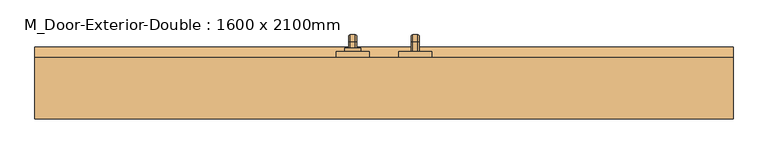
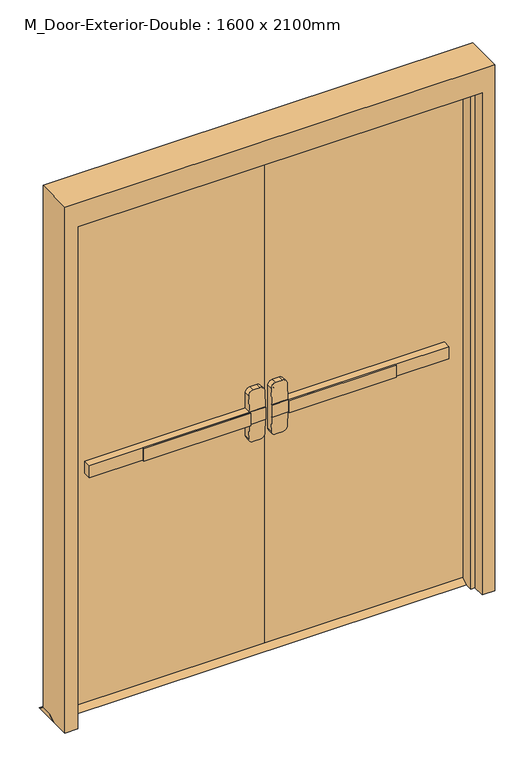
"""IFC4 building model written with IfcOpenShell, lengths in millimetres: door geometry, M_Door-Exterior-Double : 1600 x 2100mm."""

from ifc_helpers import new_model, si_unit, point, frame, frame_2d, origin, place, context, project, spatial, polyline, circle_curve, ellipse_curve, trimmed, segment, composite_curve, outline, extrude, faceted_brep, source, transform, mapped, element, save
from ifc_brep_helpers import plane_surface, cylinder_surface, revolved_surface, advanced_brep


def m_door_exterior_double_1600_x_2100mm_5a4b21ba(model_context):
    return source(origin(), model_context, "Body", "SolidModel", [
        extrude(outline(polyline([(-499.4666667, 48.25), (-499.4666667, 54.6), (-76.2, 54.6), (-76.2, 48.25), (-499.4666667, 48.25)])), frame((0.0, 0.0, 974.6), z_axis=(0.0, 0.0, 1.0), x_axis=(1.0, 0.0, 0.0)), (0.0, 0.0, 1.0), 50.8),
        advanced_brep(
        [(-12.7, 54.6, 1025.4), (-76.2, 54.6, 1025.4), (-711.1, 54.6, 1025.4), (-711.1, 54.6, 974.6), (-76.2, 54.6, 974.6), (-12.7, 54.6, 974.6), (-711.1, 86.35, 1025.4), (-76.2, 86.35, 1025.4), (-76.2, 86.35, 1088.9), (-57.15, 86.35, 1107.95), (-31.75, 86.35, 1107.95), (-12.7, 86.35, 1088.9), (-12.7, 86.35, 911.1), (-31.75, 86.35, 892.05), (-57.15, 86.35, 892.05), (-76.2, 86.35, 911.1), (-76.2, 86.35, 974.6), (-711.1, 86.35, 974.6), (-12.7, 57.7752467, 1025.4), (-76.2, 57.7752467, 1025.4), (-12.7, 57.7752467, 974.6), (-12.7, 62.7854269, 911.1), (-12.7, 62.7854269, 1088.9), (-76.2, 57.7752467, 974.6), (-76.2, 62.7854269, 1088.9), (-76.2, 62.7854269, 911.1), (-57.15, 64.288481, 1107.95), (-31.75, 64.288481, 1107.95), (-31.75, 64.288481, 892.05), (-57.15, 64.288481, 892.05)],
        [
            (0, 1),
            (1, 2),
            (2, 3),
            (3, 4),
            (4, 5),
            (5, 0),
            (6, 7),
            (7, 8),
            (8, 9, circle_curve(frame((-57.15, 86.35, 1088.9), z_axis=(0.0, 1.0, 0.0), x_axis=(-1.0, 0.0, 0.0)), 19.05)),
            (9, 10),
            (10, 11, circle_curve(frame((-31.75, 86.35, 1088.9), z_axis=(0.0, 1.0, 0.0), x_axis=(-1.0, 0.0, 0.0)), 19.05)),
            (11, 12),
            (12, 13, circle_curve(frame((-31.75, 86.35, 911.1), z_axis=(0.0, 1.0, 0.0), x_axis=(-1.0, 0.0, 0.0)), 19.05)),
            (13, 14),
            (14, 15, circle_curve(frame((-57.15, 86.35, 911.1), z_axis=(0.0, 1.0, 0.0), x_axis=(-1.0, 0.0, 0.0)), 19.05)),
            (15, 16),
            (16, 17),
            (17, 6),
            (0, 18),
            (18, 19),
            (19, 7),
            (6, 2),
            (5, 20),
            (20, 21),
            (21, 12),
            (11, 22),
            (22, 18),
            (16, 23),
            (23, 20),
            (3, 17),
            (19, 24),
            (24, 8),
            (15, 25),
            (25, 23),
            (9, 26),
            (26, 27),
            (27, 10),
            (13, 28),
            (28, 29),
            (29, 14),
            (29, 25, ellipse_curve(frame((-57.15, 62.7854269, 911.1), z_axis=(0.0, 0.9969018152893365, 0.07865602756830282), x_axis=(0.0, -0.07865602756830208, 0.9969018152893365)), 19.1092038, 19.05)),
            (24, 26, ellipse_curve(frame((-57.15, 62.7854269, 1088.9), z_axis=(0.0, 0.9969018152893376, -0.07865602756828934), x_axis=(0.0, -0.078656027568288, -0.9969018152893377)), 19.1092038, 19.05)),
            (27, 22, ellipse_curve(frame((-31.75, 62.7854269, 1088.9), z_axis=(0.0, 0.9969018152893376, -0.07865602756828934), x_axis=(0.0, -0.078656027568288, -0.9969018152893377)), 19.1092038, 19.05)),
            (21, 28, ellipse_curve(frame((-31.75, 62.7854269, 911.1), z_axis=(0.0, 0.9969018152893365, 0.07865602756830282), x_axis=(0.0, -0.07865602756830208, 0.9969018152893365)), 19.1092038, 19.05)),
        ],
        [
            plane_surface(frame((-12.7, 54.6, 1025.4), z_axis=(0.0, -1.0, 0.0), x_axis=(1.0, 0.0, 0.0))),
            plane_surface(frame((-12.7, 86.35, 1025.4), z_axis=(0.0, 1.0, 0.0), x_axis=(-1.0, 0.0, 0.0))),
            plane_surface(frame((-711.1, 54.6, 1025.4), z_axis=(0.0, 0.0, 1.0), x_axis=(0.0, 1.0, 0.0))),
            plane_surface(frame((-12.7, 54.6, 1025.4), z_axis=(1.0, 0.0, 0.0), x_axis=(0.0, 1.0, 0.0))),
            plane_surface(frame((-12.7, 54.6, 974.6), z_axis=(0.0, 0.0, -1.0), x_axis=(0.0, 1.0, 0.0))),
            plane_surface(frame((-711.1, 54.6, 974.6), z_axis=(-1.0, 0.0, 0.0), x_axis=(0.0, 1.0, 0.0))),
            plane_surface(frame((-76.2, 57.7752467, 911.1), z_axis=(-1.0, 0.0, 0.0), x_axis=(0.0, 1.0, 0.0))),
            plane_surface(frame((-57.15, 57.7752467, 1107.95), z_axis=(0.0, 0.0, 1.0), x_axis=(0.0, 1.0, 0.0))),
            plane_surface(frame((-31.75, 57.7752467, 892.05), z_axis=(0.0, 0.0, -1.0), x_axis=(0.0, 1.0, 0.0))),
            cylinder_surface(frame((-57.15, 86.35, 911.1), z_axis=(0.0, -1.0, 0.0), x_axis=(-1.0, 0.0, 0.0)), 19.05),
            cylinder_surface(frame((-57.15, 86.35, 1088.9), z_axis=(0.0, -1.0, 0.0), x_axis=(-1.0, 0.0, 0.0)), 19.05),
            cylinder_surface(frame((-31.75, 86.35, 1088.9), z_axis=(0.0, -1.0, 0.0), x_axis=(-1.0, 0.0, 0.0)), 19.05),
            cylinder_surface(frame((-31.75, 86.35, 911.1), z_axis=(0.0, -1.0, 0.0), x_axis=(-1.0, 0.0, 0.0)), 19.05),
            plane_surface(frame((-76.2, 57.7752467, 1025.4), z_axis=(0.0, -0.9969018152893376, 0.07865602756828934), x_axis=(1.0, 0.0, 0.0))),
            plane_surface(frame((-76.2, 64.288481, 892.05), z_axis=(0.0, -0.9969018152893365, -0.07865602756830282), x_axis=(1.0, 0.0, 0.0))),
        ],
        [
            (0, [[1, 2, 3, 4, 5, 6]]),
            (1, [[7, 8, 9, 10, 11, 12, 13, 14, 15, 16, 17, 18]]),
            (2, [[-2, -1, 19, 20, 21, -7, 22]]),
            (3, [[23, 24, 25, -12, 26, 27, -19, -6]]),
            (4, [[-17, 28, 29, -23, -5, -4, 30]]),
            (5, [[-22, -18, -30, -3]]),
            (6, [[-21, 31, 32, -8]]),
            (6, [[33, 34, -28, -16]]),
            (7, [[35, 36, 37, -10]]),
            (8, [[38, 39, 40, -14]]),
            (9, [[-40, 41, -33, -15]]),
            (10, [[-32, 42, -35, -9]]),
            (11, [[-37, 43, -26, -11]]),
            (12, [[-25, 44, -38, -13]]),
            (13, [[-27, -43, -36, -42, -31, -20]]),
            (14, [[-29, -34, -41, -39, -44, -24]]),
        ],
    ),
        extrude(outline(polyline([(131.35, 15.0), (156.75, 0.0), (60.95, 0.0), (86.35, 15.0), (131.35, 15.0)])), frame((-850.0, 0.0, 0.0), z_axis=(1.0, 0.0, 0.0), x_axis=(0.0, 1.0, 0.0)), (0.0, 0.0, 1.0), 1700.0),
        extrude(outline(polyline([(499.4666667, 48.25), (76.2, 48.25), (76.2, 54.6), (499.4666667, 54.6), (499.4666667, 48.25)])), frame((0.0, 0.0, 974.6), z_axis=(0.0, 0.0, 1.0), x_axis=(1.0, 0.0, 0.0)), (0.0, 0.0, 1.0), 50.8),
        advanced_brep(
        [(12.7, 54.6, 1025.4), (12.7, 54.6, 974.6), (76.2, 54.6, 974.6), (711.1, 54.6, 974.6), (711.1, 54.6, 1025.4), (76.2, 54.6, 1025.4), (711.1, 86.35, 1025.4), (711.1, 86.35, 974.6), (76.2, 86.35, 974.6), (76.2, 86.35, 911.1), (57.15, 86.35, 892.05), (31.75, 86.35, 892.05), (12.7, 86.35, 911.1), (12.7, 86.35, 1088.9), (31.75, 86.35, 1107.95), (57.15, 86.35, 1107.95), (76.2, 86.35, 1088.9), (76.2, 86.35, 1025.4), (76.2, 57.7752467, 1025.4), (12.7, 57.7752467, 1025.4), (12.7, 62.7854269, 1088.9), (12.7, 62.7854269, 911.1), (12.7, 57.7752467, 974.6), (76.2, 57.7752467, 974.6), (76.2, 62.7854269, 911.1), (76.2, 62.7854269, 1088.9), (31.75, 64.288481, 1107.95), (57.15, 64.288481, 1107.95), (57.15, 64.288481, 892.05), (31.75, 64.288481, 892.05)],
        [
            (0, 1),
            (1, 2),
            (2, 3),
            (3, 4),
            (4, 5),
            (5, 0),
            (6, 7),
            (7, 8),
            (8, 9),
            (9, 10, circle_curve(frame((57.15, 86.35, 911.1), z_axis=(0.0, 1.0, 0.0), x_axis=(1.0, 0.0, 0.0)), 19.05)),
            (10, 11),
            (11, 12, circle_curve(frame((31.75, 86.35, 911.1), z_axis=(0.0, 1.0, 0.0), x_axis=(1.0, 0.0, 0.0)), 19.05)),
            (12, 13),
            (13, 14, circle_curve(frame((31.75, 86.35, 1088.9), z_axis=(0.0, 1.0, 0.0), x_axis=(1.0, 0.0, 0.0)), 19.05)),
            (14, 15),
            (15, 16, circle_curve(frame((57.15, 86.35, 1088.9), z_axis=(0.0, 1.0, 0.0), x_axis=(1.0, 0.0, 0.0)), 19.05)),
            (16, 17),
            (17, 6),
            (4, 6),
            (17, 18),
            (18, 19),
            (19, 0),
            (19, 20),
            (20, 13),
            (12, 21),
            (21, 22),
            (22, 1),
            (7, 3),
            (22, 23),
            (23, 8),
            (23, 24),
            (24, 9),
            (16, 25),
            (25, 18),
            (14, 26),
            (26, 27),
            (27, 15),
            (10, 28),
            (28, 29),
            (29, 11),
            (24, 28, ellipse_curve(frame((57.15, 62.7854269, 911.1), z_axis=(0.0, 0.9969018152893365, 0.07865602756830282), x_axis=(0.0, -0.07865602756830208, 0.9969018152893365)), 19.1092038, 19.05)),
            (27, 25, ellipse_curve(frame((57.15, 62.7854269, 1088.9), z_axis=(0.0, 0.9969018152893376, -0.07865602756828934), x_axis=(0.0, -0.078656027568288, -0.9969018152893377)), 19.1092038, 19.05)),
            (20, 26, ellipse_curve(frame((31.75, 62.7854269, 1088.9), z_axis=(0.0, 0.9969018152893376, -0.07865602756828934), x_axis=(0.0, -0.078656027568288, -0.9969018152893377)), 19.1092038, 19.05)),
            (29, 21, ellipse_curve(frame((31.75, 62.7854269, 911.1), z_axis=(0.0, 0.9969018152893365, 0.07865602756830282), x_axis=(0.0, -0.07865602756830208, 0.9969018152893365)), 19.1092038, 19.05)),
        ],
        [
            plane_surface(frame((12.7, 54.6, 1025.4), z_axis=(0.0, -1.0, 0.0), x_axis=(-1.0, 0.0, 0.0))),
            plane_surface(frame((12.7, 86.35, 1025.4), z_axis=(0.0, 1.0, 0.0), x_axis=(1.0, 0.0, 0.0))),
            plane_surface(frame((711.1, 54.6, 1025.4), z_axis=(0.0, 0.0, 1.0), x_axis=(0.0, 1.0, 0.0))),
            plane_surface(frame((12.7, 54.6, 1025.4), z_axis=(-1.0, 0.0, 0.0), x_axis=(0.0, 1.0, 0.0))),
            plane_surface(frame((12.7, 54.6, 974.6), z_axis=(0.0, 0.0, -1.0), x_axis=(0.0, 1.0, 0.0))),
            plane_surface(frame((711.1, 54.6, 974.6), z_axis=(1.0, 0.0, 0.0), x_axis=(0.0, 1.0, 0.0))),
            plane_surface(frame((76.2, 57.7752467, 911.1), z_axis=(1.0, 0.0, 0.0), x_axis=(0.0, 1.0, 0.0))),
            plane_surface(frame((57.15, 57.7752467, 1107.95), z_axis=(0.0, 0.0, 1.0), x_axis=(0.0, 1.0, 0.0))),
            plane_surface(frame((31.75, 57.7752467, 892.05), z_axis=(0.0, 0.0, -1.0), x_axis=(0.0, 1.0, 0.0))),
            cylinder_surface(frame((57.15, 86.35, 911.1), z_axis=(0.0, -1.0, 0.0), x_axis=(1.0, 0.0, 0.0)), 19.05),
            cylinder_surface(frame((57.15, 86.35, 1088.9), z_axis=(0.0, -1.0, 0.0), x_axis=(1.0, 0.0, 0.0)), 19.05),
            cylinder_surface(frame((31.75, 86.35, 1088.9), z_axis=(0.0, -1.0, 0.0), x_axis=(1.0, 0.0, 0.0)), 19.05),
            cylinder_surface(frame((31.75, 86.35, 911.1), z_axis=(0.0, -1.0, 0.0), x_axis=(1.0, 0.0, 0.0)), 19.05),
            plane_surface(frame((76.2, 57.7752467, 1025.4), z_axis=(0.0, -0.9969018152893376, 0.07865602756828934), x_axis=(-1.0, 0.0, 0.0))),
            plane_surface(frame((76.2, 64.288481, 892.05), z_axis=(0.0, -0.9969018152893365, -0.07865602756830282), x_axis=(-1.0, 0.0, 0.0))),
        ],
        [
            (0, [[1, 2, 3, 4, 5, 6]]),
            (1, [[7, 8, 9, 10, 11, 12, 13, 14, 15, 16, 17, 18]]),
            (2, [[19, -18, 20, 21, 22, -6, -5]]),
            (3, [[-1, -22, 23, 24, -13, 25, 26, 27]]),
            (4, [[28, -3, -2, -27, 29, 30, -8]]),
            (5, [[-4, -28, -7, -19]]),
            (6, [[-9, -30, 31, 32]]),
            (6, [[-17, 33, 34, -20]]),
            (7, [[-15, 35, 36, 37]]),
            (8, [[-11, 38, 39, 40]]),
            (9, [[-10, -32, 41, -38]]),
            (10, [[-16, -37, 42, -33]]),
            (11, [[-14, -24, 43, -35]]),
            (12, [[-12, -40, 44, -25]]),
            (13, [[-21, -34, -42, -36, -43, -23]]),
            (14, [[-26, -44, -39, -41, -31, -29]]),
        ],
    ),
        advanced_brep(
        [(66.2, 144.05, 1001.190625), (66.2, 144.05, 998.809375), (69.771875, 144.05, 995.2375), (82.6284594, 144.05, 995.2375), (86.2, 144.05, 998.8090406), (86.2, 144.05, 1001.190625), (82.628125, 144.05, 1004.7625), (69.771875, 144.05, 1004.7625), (66.2, 144.05, 874.609375), (69.771875, 144.05, 871.0375), (82.628125, 144.05, 871.0375), (86.2, 144.05, 874.609375), (86.2, 144.05, 876.9909594), (82.6284594, 144.05, 880.5625), (69.771875, 144.05, 880.5625), (66.2, 144.05, 876.990625), (66.2, 169.45, 1001.190625), (66.2, 183.340625, 987.3), (66.2, 183.340625, 888.5), (66.2, 169.45, 874.609375), (66.2, 169.45, 876.990625), (66.2, 180.959375, 888.5), (66.2, 180.959375, 987.3), (66.2, 169.45, 998.809375), (69.771875, 169.45, 995.2375), (82.6284594, 169.45, 995.2375), (86.2, 169.45, 998.8090406), (86.2, 180.9590406, 987.3), (86.2, 180.9590406, 888.5), (86.2, 169.45, 876.9909594), (86.2, 169.45, 874.609375), (86.2, 183.340625, 888.5), (86.2, 183.340625, 987.3), (86.2, 169.45, 1001.190625), (82.628125, 169.45, 1004.7625), (69.771875, 169.45, 1004.7625), (69.771875, 177.3875, 987.3), (82.6284594, 177.3875, 987.3), (82.628125, 186.9125, 987.3), (69.771875, 186.9125, 987.3), (69.771875, 177.3875, 888.5), (82.6284594, 177.3875, 888.5), (82.628125, 186.9125, 888.5), (69.771875, 186.9125, 888.5), (69.771875, 169.45, 880.5625), (82.6284594, 169.45, 880.5625), (82.628125, 169.45, 871.0375), (69.771875, 169.45, 871.0375)],
        [
            (0, 1),
            (1, 2, circle_curve(frame((69.771875, 144.05, 998.809375), z_axis=(0.0, -1.0, 0.0), x_axis=(0.0, 0.0, 1.0)), 3.571875)),
            (2, 3),
            (3, 4, circle_curve(frame((82.6284594, 144.05, 998.8090406), z_axis=(0.0, -1.0, 0.0), x_axis=(0.0, 0.0, 1.0)), 3.5715406)),
            (4, 5),
            (5, 6, circle_curve(frame((82.628125, 144.05, 1001.190625), z_axis=(0.0, -1.0, 0.0), x_axis=(0.0, 0.0, 1.0)), 3.571875)),
            (6, 7),
            (7, 0, circle_curve(frame((69.771875, 144.05, 1001.190625), z_axis=(0.0, -1.0, 0.0), x_axis=(0.0, 0.0, 1.0)), 3.571875)),
            (8, 9, circle_curve(frame((69.771875, 144.05, 874.609375), z_axis=(0.0, -1.0, 0.0), x_axis=(0.0, 0.0, -1.0)), 3.571875)),
            (9, 10),
            (10, 11, circle_curve(frame((82.628125, 144.05, 874.609375), z_axis=(0.0, -1.0, 0.0), x_axis=(0.0, 0.0, -1.0)), 3.571875)),
            (11, 12),
            (12, 13, circle_curve(frame((82.6284594, 144.05, 876.9909594), z_axis=(0.0, -1.0, 0.0), x_axis=(0.0, 0.0, -1.0)), 3.5715406)),
            (13, 14),
            (14, 15, circle_curve(frame((69.771875, 144.05, 876.990625), z_axis=(0.0, -1.0, 0.0), x_axis=(0.0, 0.0, -1.0)), 3.571875)),
            (15, 8),
            (0, 16),
            (16, 17, circle_curve(frame((66.2, 169.45, 987.3), z_axis=(-1.0, 0.0, 0.0), x_axis=(0.0, 0.0, 1.0)), 13.890625)),
            (17, 18),
            (18, 19, circle_curve(frame((66.2, 169.45, 888.5), z_axis=(-1.0, 0.0, 0.0), x_axis=(0.0, 1.0, 0.0)), 13.890625)),
            (19, 8),
            (15, 20),
            (20, 21, circle_curve(frame((66.2, 169.45, 888.5), z_axis=(1.0, 0.0, 0.0), x_axis=(0.0, 1.0, 0.0)), 11.509375)),
            (21, 22),
            (22, 23, circle_curve(frame((66.2, 169.45, 987.3), z_axis=(1.0, 0.0, 0.0), x_axis=(0.0, 0.0, 1.0)), 11.509375)),
            (23, 1),
            (23, 24, circle_curve(frame((69.771875, 169.45, 998.809375), z_axis=(0.0, -1.0, 0.0), x_axis=(0.0, 0.0, 1.0)), 3.571875)),
            (24, 2),
            (24, 25),
            (25, 3),
            (25, 26, circle_curve(frame((82.6284594, 169.45, 998.8090406), z_axis=(0.0, -1.0, 0.0), x_axis=(0.0, 0.0, 1.0)), 3.5715406)),
            (26, 4),
            (26, 27, circle_curve(frame((86.2, 169.45, 987.3), z_axis=(-1.0, 0.0, 0.0), x_axis=(0.0, 0.0, 1.0)), 11.5090406)),
            (27, 28),
            (28, 29, circle_curve(frame((86.2, 169.45, 888.5), z_axis=(-1.0, 0.0, 0.0), x_axis=(0.0, 1.0, 0.0)), 11.5090406)),
            (29, 12),
            (11, 30),
            (30, 31, circle_curve(frame((86.2, 169.45, 888.5), z_axis=(1.0, 0.0, 0.0), x_axis=(0.0, 1.0, 0.0)), 13.890625)),
            (31, 32),
            (32, 33, circle_curve(frame((86.2, 169.45, 987.3), z_axis=(1.0, 0.0, 0.0), x_axis=(0.0, 0.0, 1.0)), 13.890625)),
            (33, 5),
            (33, 34, circle_curve(frame((82.628125, 169.45, 1001.190625), z_axis=(0.0, -1.0, 0.0), x_axis=(0.0, 0.0, 1.0)), 3.571875)),
            (34, 6),
            (34, 35),
            (35, 7),
            (35, 16, circle_curve(frame((69.771875, 169.45, 1001.190625), z_axis=(0.0, -1.0, 0.0), x_axis=(0.0, 0.0, 1.0)), 3.571875)),
            (36, 24, circle_curve(frame((69.771875, 169.45, 987.3), z_axis=(1.0, 0.0, 0.0), x_axis=(0.0, 0.0, 1.0)), 7.9375)),
            (22, 36, circle_curve(frame((69.771875, 180.959375, 987.3), z_axis=(0.0, 0.0, 1.0), x_axis=(0.0, 1.0, 0.0)), 3.571875)),
            (37, 25, circle_curve(frame((82.6284594, 169.45, 987.3), z_axis=(1.0, 0.0, 0.0), x_axis=(0.0, 0.0, 1.0)), 7.9375)),
            (36, 37),
            (37, 27, circle_curve(frame((82.6284594, 180.9590406, 987.3), z_axis=(0.0, 0.0, 1.0), x_axis=(0.0, 1.0, 0.0)), 3.5715406)),
            (38, 34, circle_curve(frame((82.628125, 169.45, 987.3), z_axis=(1.0, 0.0, 0.0), x_axis=(0.0, 0.0, 1.0)), 17.4625)),
            (32, 38, circle_curve(frame((82.628125, 183.340625, 987.3), z_axis=(0.0, 0.0, 1.0), x_axis=(0.0, 1.0, 0.0)), 3.571875)),
            (39, 35, circle_curve(frame((69.771875, 169.45, 987.3), z_axis=(1.0, 0.0, 0.0), x_axis=(0.0, 0.0, 1.0)), 17.4625)),
            (38, 39),
            (39, 17, circle_curve(frame((69.771875, 183.340625, 987.3), z_axis=(0.0, 0.0, 1.0), x_axis=(0.0, 1.0, 0.0)), 3.571875)),
            (21, 40, circle_curve(frame((69.771875, 180.959375, 888.5), z_axis=(0.0, 0.0, 1.0), x_axis=(0.0, 1.0, 0.0)), 3.571875)),
            (40, 36),
            (40, 41),
            (41, 37),
            (41, 28, circle_curve(frame((82.6284594, 180.9590406, 888.5), z_axis=(0.0, 0.0, 1.0), x_axis=(0.0, 1.0, 0.0)), 3.5715406)),
            (31, 42, circle_curve(frame((82.628125, 183.340625, 888.5), z_axis=(0.0, 0.0, 1.0), x_axis=(0.0, 1.0, 0.0)), 3.571875)),
            (42, 38),
            (42, 43),
            (43, 39),
            (43, 18, circle_curve(frame((69.771875, 183.340625, 888.5), z_axis=(0.0, 0.0, 1.0), x_axis=(0.0, 1.0, 0.0)), 3.571875)),
            (44, 40, circle_curve(frame((69.771875, 169.45, 888.5), z_axis=(1.0, 0.0, 0.0), x_axis=(0.0, 1.0, 0.0)), 7.9375)),
            (20, 44, circle_curve(frame((69.771875, 169.45, 876.990625), z_axis=(0.0, 1.0, 0.0), x_axis=(0.0, 0.0, -1.0)), 3.571875)),
            (45, 41, circle_curve(frame((82.6284594, 169.45, 888.5), z_axis=(1.0, 0.0, 0.0), x_axis=(0.0, 1.0, 0.0)), 7.9375)),
            (44, 45),
            (45, 29, circle_curve(frame((82.6284594, 169.45, 876.9909594), z_axis=(0.0, 1.0, 0.0), x_axis=(0.0, 0.0, -1.0)), 3.5715406)),
            (46, 42, circle_curve(frame((82.628125, 169.45, 888.5), z_axis=(1.0, 0.0, 0.0), x_axis=(0.0, 1.0, 0.0)), 17.4625)),
            (30, 46, circle_curve(frame((82.628125, 169.45, 874.609375), z_axis=(0.0, 1.0, 0.0), x_axis=(0.0, 0.0, -1.0)), 3.571875)),
            (47, 43, circle_curve(frame((69.771875, 169.45, 888.5), z_axis=(1.0, 0.0, 0.0), x_axis=(0.0, 1.0, 0.0)), 17.4625)),
            (46, 47),
            (47, 19, circle_curve(frame((69.771875, 169.45, 874.609375), z_axis=(0.0, 1.0, 0.0), x_axis=(0.0, 0.0, -1.0)), 3.571875)),
            (14, 44),
            (13, 45),
            (10, 46),
            (9, 47),
        ],
        [
            plane_surface(frame((76.2, 144.05, 1000.0), z_axis=(0.0, -1.0, 0.0), x_axis=(1.0, 0.0, 0.0))),
            plane_surface(frame((76.2, 144.05, 875.8), z_axis=(0.0, -1.0, 0.0), x_axis=(1.0, 0.0, 0.0))),
            plane_surface(frame((66.2, 144.05, 1001.190625), z_axis=(-1.0, 0.0, 0.0), x_axis=(0.0, 1.0, 0.0))),
            cylinder_surface(frame((69.771875, 144.05, 998.809375), z_axis=(0.0, -1.0, 0.0), x_axis=(0.0, 0.0, 1.0)), 3.571875),
            plane_surface(frame((69.771875, 144.05, 995.2375), z_axis=(0.0, 0.0, -1.0), x_axis=(0.0, 1.0, 0.0))),
            cylinder_surface(frame((82.6284594, 144.05, 998.8090406), z_axis=(0.0, -1.0, 0.0), x_axis=(0.0, 0.0, 1.0)), 3.5715406),
            plane_surface(frame((86.2, 144.05, 998.8090406), z_axis=(1.0, 0.0, 0.0), x_axis=(0.0, 1.0, 0.0))),
            cylinder_surface(frame((82.628125, 144.05, 1001.190625), z_axis=(0.0, -1.0, 0.0), x_axis=(0.0, 0.0, 1.0)), 3.571875),
            plane_surface(frame((82.628125, 144.05, 1004.7625), z_axis=(0.0, 0.0, 1.0), x_axis=(0.0, 1.0, 0.0))),
            cylinder_surface(frame((69.771875, 144.05, 1001.190625), z_axis=(0.0, -1.0, 0.0), x_axis=(0.0, 0.0, 1.0)), 3.571875),
            revolved_surface(trimmed(ellipse_curve(frame((69.771875, 169.45, 998.809375), z_axis=(0.0, -1.0, 0.0), x_axis=(0.0, 0.0, 1.0)), 3.571875, 3.571875), [point((66.2, 169.45, 998.809375))], [point((69.771875, 169.45, 995.2375))], True, "CARTESIAN"), (76.2, 169.45, 987.3), (-1.0, 0.0, 0.0)),
            revolved_surface(polyline([(69.771875, 169.45, 995.2375), (82.6284594, 169.45, 995.2375)]), (76.2, 169.45, 987.3), (-1.0, 0.0, 0.0)),
            revolved_surface(trimmed(ellipse_curve(frame((82.6284594, 169.45, 998.8090406), z_axis=(0.0, -1.0, 0.0), x_axis=(0.0, 0.0, 1.0)), 3.5715406, 3.5715406), [point((82.6284594, 169.45, 995.2375))], [point((86.2, 169.45, 998.8090406))], True, "CARTESIAN"), (76.2, 169.45, 987.3), (-1.0, 0.0, 0.0)),
            revolved_surface(trimmed(ellipse_curve(frame((82.628125, 169.45, 1001.190625), z_axis=(0.0, -1.0, 0.0), x_axis=(0.0, 0.0, 1.0)), 3.571875, 3.571875), [point((86.2, 169.45, 1001.190625))], [point((82.628125, 169.45, 1004.7625))], True, "CARTESIAN"), (76.2, 169.45, 987.3), (-1.0, 0.0, 0.0)),
            cylinder_surface(frame((76.2, 169.45, 987.3), z_axis=(-1.0, 0.0, 0.0), x_axis=(0.0, 0.0, 1.0)), 17.4625),
            revolved_surface(trimmed(ellipse_curve(frame((69.771875, 169.45, 1001.190625), z_axis=(0.0, -1.0, 0.0), x_axis=(0.0, 0.0, 1.0)), 3.571875, 3.571875), [point((69.771875, 169.45, 1004.7625))], [point((66.2, 169.45, 1001.190625))], True, "CARTESIAN"), (76.2, 169.45, 987.3), (-1.0, 0.0, 0.0)),
            cylinder_surface(frame((69.771875, 180.959375, 987.3), z_axis=(0.0, 0.0, 1.0), x_axis=(0.0, 1.0, 0.0)), 3.571875),
            plane_surface(frame((69.771875, 177.3875, 987.3), z_axis=(0.0, -1.0, 0.0), x_axis=(0.0, 0.0, -1.0))),
            cylinder_surface(frame((82.6284594, 180.9590406, 987.3), z_axis=(0.0, 0.0, 1.0), x_axis=(0.0, 1.0, 0.0)), 3.5715406),
            cylinder_surface(frame((82.628125, 183.340625, 987.3), z_axis=(0.0, 0.0, 1.0), x_axis=(0.0, 1.0, 0.0)), 3.571875),
            plane_surface(frame((82.628125, 186.9125, 987.3), z_axis=(0.0, 1.0, 0.0), x_axis=(0.0, 0.0, -1.0))),
            cylinder_surface(frame((69.771875, 183.340625, 987.3), z_axis=(0.0, 0.0, 1.0), x_axis=(0.0, 1.0, 0.0)), 3.571875),
            revolved_surface(trimmed(ellipse_curve(frame((69.771875, 180.959375, 888.5), z_axis=(0.0, 0.0, 1.0), x_axis=(0.0, 1.0, 0.0)), 3.571875, 3.571875), [point((66.2, 180.959375, 888.5))], [point((69.771875, 177.3875, 888.5))], True, "CARTESIAN"), (76.2, 169.45, 888.5), (-1.0, 0.0, 0.0)),
            revolved_surface(polyline([(69.771875, 177.3875, 888.5), (82.6284594, 177.3875, 888.5)]), (76.2, 169.45, 888.5), (-1.0, 0.0, 0.0)),
            revolved_surface(trimmed(ellipse_curve(frame((82.6284594, 180.9590406, 888.5), z_axis=(0.0, 0.0, 1.0), x_axis=(0.0, 1.0, 0.0)), 3.5715406, 3.5715406), [point((82.6284594, 177.3875, 888.5))], [point((86.2, 180.9590406, 888.5))], True, "CARTESIAN"), (76.2, 169.45, 888.5), (-1.0, 0.0, 0.0)),
            revolved_surface(trimmed(ellipse_curve(frame((82.628125, 183.340625, 888.5), z_axis=(0.0, 0.0, 1.0), x_axis=(0.0, 1.0, 0.0)), 3.571875, 3.571875), [point((86.2, 183.340625, 888.5))], [point((82.628125, 186.9125, 888.5))], True, "CARTESIAN"), (76.2, 169.45, 888.5), (-1.0, 0.0, 0.0)),
            cylinder_surface(frame((76.2, 169.45, 888.5), z_axis=(-1.0, 0.0, 0.0), x_axis=(0.0, 1.0, 0.0)), 17.4625),
            revolved_surface(trimmed(ellipse_curve(frame((69.771875, 183.340625, 888.5), z_axis=(0.0, 0.0, 1.0), x_axis=(0.0, 1.0, 0.0)), 3.571875, 3.571875), [point((69.771875, 186.9125, 888.5))], [point((66.2, 183.340625, 888.5))], True, "CARTESIAN"), (76.2, 169.45, 888.5), (-1.0, 0.0, 0.0)),
            cylinder_surface(frame((69.771875, 169.45, 876.990625), z_axis=(0.0, 1.0, 0.0), x_axis=(0.0, 0.0, -1.0)), 3.571875),
            plane_surface(frame((69.771875, 169.45, 880.5625), z_axis=(0.0, 0.0, 1.0), x_axis=(0.0, -1.0, 0.0))),
            cylinder_surface(frame((82.6284594, 169.45, 876.9909594), z_axis=(0.0, 1.0, 0.0), x_axis=(0.0, 0.0, -1.0)), 3.5715406),
            cylinder_surface(frame((82.628125, 169.45, 874.609375), z_axis=(0.0, 1.0, 0.0), x_axis=(0.0, 0.0, -1.0)), 3.571875),
            plane_surface(frame((82.628125, 169.45, 871.0375), z_axis=(0.0, 0.0, -1.0), x_axis=(0.0, -1.0, 0.0))),
            cylinder_surface(frame((69.771875, 169.45, 874.609375), z_axis=(0.0, 1.0, 0.0), x_axis=(0.0, 0.0, -1.0)), 3.571875),
        ],
        [
            (0, [[1, 2, 3, 4, 5, 6, 7, 8]]),
            (1, [[9, 10, 11, 12, 13, 14, 15, 16]]),
            (2, [[-1, 17, 18, 19, 20, 21, -16, 22, 23, 24, 25, 26]]),
            (3, [[-2, -26, 27, 28]]),
            (4, [[-3, -28, 29, 30]]),
            (5, [[-4, -30, 31, 32]]),
            (6, [[-5, -32, 33, 34, 35, 36, -12, 37, 38, 39, 40, 41]]),
            (7, [[-6, -41, 42, 43]]),
            (8, [[-7, -43, 44, 45]]),
            (9, [[-8, -45, 46, -17]]),
            (10, [[47, -27, -25, 48]]),
            (11, [[49, -29, -47, 50]]),
            (12, [[-33, -31, -49, 51]]),
            (13, [[52, -42, -40, 53]]),
            (14, [[54, -44, -52, 55]]),
            (15, [[-18, -46, -54, 56]]),
            (16, [[-48, -24, 57, 58]]),
            (17, [[-50, -58, 59, 60]]),
            (18, [[-51, -60, 61, -34]]),
            (19, [[-53, -39, 62, 63]]),
            (20, [[-55, -63, 64, 65]]),
            (21, [[-56, -65, 66, -19]]),
            (22, [[67, -57, -23, 68]]),
            (23, [[69, -59, -67, 70]]),
            (24, [[-35, -61, -69, 71]]),
            (25, [[72, -62, -38, 73]]),
            (26, [[74, -64, -72, 75]]),
            (27, [[-20, -66, -74, 76]]),
            (28, [[-68, -22, -15, 77]]),
            (29, [[-70, -77, -14, 78]]),
            (30, [[-71, -78, -13, -36]]),
            (31, [[-73, -37, -11, 79]]),
            (32, [[-75, -79, -10, 80]]),
            (33, [[-76, -80, -9, -21]]),
        ],
    ),
        extrude(outline(composite_curve([segment(trimmed(circle_curve(frame_2d((1094.2338574, 76.2)), 90.1286291), [point((1175.0, 116.2))], [point((1175.0, 36.2))], False, "CARTESIAN"), True, "CONTINUOUS"), segment(polyline([(1175.0, 36.2), (825.0, 36.2)]), True, "CONTINUOUS"), segment(trimmed(circle_curve(frame_2d((905.7661426, 76.2)), 90.1286291), [point((825.0, 36.2))], [point((825.0, 116.2))], False, "CARTESIAN"), True, "CONTINUOUS"), segment(polyline([(825.0, 116.2), (1175.0, 116.2)]), True, "CONTINUOUS")], self_intersect=False)), frame((0.0, 131.35, 0.0), z_axis=(0.0, 1.0, 0.0), x_axis=(0.0, 0.0, 1.0)), (0.0, 0.0, 1.0), 15.0),
        advanced_brep(
        [(-86.2, 144.05, 1001.190625), (-86.2, 144.05, 998.809375), (-82.628125, 144.05, 995.2375), (-69.7715406, 144.05, 995.2375), (-66.2, 144.05, 998.8090406), (-66.2, 144.05, 1001.190625), (-69.771875, 144.05, 1004.7625), (-82.628125, 144.05, 1004.7625), (-86.2, 144.05, 874.609375), (-82.628125, 144.05, 871.0375), (-69.771875, 144.05, 871.0375), (-66.2, 144.05, 874.609375), (-66.2, 144.05, 876.9909594), (-69.7715406, 144.05, 880.5625), (-82.628125, 144.05, 880.5625), (-86.2, 144.05, 876.990625), (-86.2, 169.45, 1001.190625), (-86.2, 183.340625, 987.3), (-86.2, 183.340625, 888.5), (-86.2, 169.45, 874.609375), (-86.2, 169.45, 876.990625), (-86.2, 180.959375, 888.5), (-86.2, 180.959375, 987.3), (-86.2, 169.45, 998.809375), (-82.628125, 169.45, 995.2375), (-69.7715406, 169.45, 995.2375), (-66.2, 169.45, 998.8090406), (-66.2, 180.9590406, 987.3), (-66.2, 180.9590406, 888.5), (-66.2, 169.45, 876.9909594), (-66.2, 169.45, 874.609375), (-66.2, 183.340625, 888.5), (-66.2, 183.340625, 987.3), (-66.2, 169.45, 1001.190625), (-69.771875, 169.45, 1004.7625), (-82.628125, 169.45, 1004.7625), (-82.628125, 177.3875, 987.3), (-69.7715406, 177.3875, 987.3), (-69.771875, 186.9125, 987.3), (-82.628125, 186.9125, 987.3), (-82.628125, 177.3875, 888.5), (-69.7715406, 177.3875, 888.5), (-69.771875, 186.9125, 888.5), (-82.628125, 186.9125, 888.5), (-82.628125, 169.45, 880.5625), (-69.7715406, 169.45, 880.5625), (-69.771875, 169.45, 871.0375), (-82.628125, 169.45, 871.0375)],
        [
            (0, 1),
            (1, 2, circle_curve(frame((-82.628125, 144.05, 998.809375), z_axis=(0.0, -1.0, 0.0), x_axis=(0.0, 0.0, 1.0)), 3.571875)),
            (2, 3),
            (3, 4, circle_curve(frame((-69.7715406, 144.05, 998.8090406), z_axis=(0.0, -1.0, 0.0), x_axis=(0.0, 0.0, 1.0)), 3.5715406)),
            (4, 5),
            (5, 6, circle_curve(frame((-69.771875, 144.05, 1001.190625), z_axis=(0.0, -1.0, 0.0), x_axis=(0.0, 0.0, 1.0)), 3.571875)),
            (6, 7),
            (7, 0, circle_curve(frame((-82.628125, 144.05, 1001.190625), z_axis=(0.0, -1.0, 0.0), x_axis=(0.0, 0.0, 1.0)), 3.571875)),
            (8, 9, circle_curve(frame((-82.628125, 144.05, 874.609375), z_axis=(0.0, -1.0, 0.0), x_axis=(0.0, 0.0, -1.0)), 3.571875)),
            (9, 10),
            (10, 11, circle_curve(frame((-69.771875, 144.05, 874.609375), z_axis=(0.0, -1.0, 0.0), x_axis=(0.0, 0.0, -1.0)), 3.571875)),
            (11, 12),
            (12, 13, circle_curve(frame((-69.7715406, 144.05, 876.9909594), z_axis=(0.0, -1.0, 0.0), x_axis=(0.0, 0.0, -1.0)), 3.5715406)),
            (13, 14),
            (14, 15, circle_curve(frame((-82.628125, 144.05, 876.990625), z_axis=(0.0, -1.0, 0.0), x_axis=(0.0, 0.0, -1.0)), 3.571875)),
            (15, 8),
            (0, 16),
            (16, 17, circle_curve(frame((-86.2, 169.45, 987.3), z_axis=(-1.0, 0.0, 0.0), x_axis=(0.0, 0.0, 1.0)), 13.890625)),
            (17, 18),
            (18, 19, circle_curve(frame((-86.2, 169.45, 888.5), z_axis=(-1.0, 0.0, 0.0), x_axis=(0.0, 1.0, 0.0)), 13.890625)),
            (19, 8),
            (15, 20),
            (20, 21, circle_curve(frame((-86.2, 169.45, 888.5), z_axis=(1.0, 0.0, 0.0), x_axis=(0.0, 1.0, 0.0)), 11.509375)),
            (21, 22),
            (22, 23, circle_curve(frame((-86.2, 169.45, 987.3), z_axis=(1.0, 0.0, 0.0), x_axis=(0.0, 0.0, 1.0)), 11.509375)),
            (23, 1),
            (23, 24, circle_curve(frame((-82.628125, 169.45, 998.809375), z_axis=(0.0, -1.0, 0.0), x_axis=(0.0, 0.0, 1.0)), 3.571875)),
            (24, 2),
            (24, 25),
            (25, 3),
            (25, 26, circle_curve(frame((-69.7715406, 169.45, 998.8090406), z_axis=(0.0, -1.0, 0.0), x_axis=(0.0, 0.0, 1.0)), 3.5715406)),
            (26, 4),
            (26, 27, circle_curve(frame((-66.2, 169.45, 987.3), z_axis=(-1.0, 0.0, 0.0), x_axis=(0.0, 0.0, 1.0)), 11.5090406)),
            (27, 28),
            (28, 29, circle_curve(frame((-66.2, 169.45, 888.5), z_axis=(-1.0, 0.0, 0.0), x_axis=(0.0, 1.0, 0.0)), 11.5090406)),
            (29, 12),
            (11, 30),
            (30, 31, circle_curve(frame((-66.2, 169.45, 888.5), z_axis=(1.0, 0.0, 0.0), x_axis=(0.0, 1.0, 0.0)), 13.890625)),
            (31, 32),
            (32, 33, circle_curve(frame((-66.2, 169.45, 987.3), z_axis=(1.0, 0.0, 0.0), x_axis=(0.0, 0.0, 1.0)), 13.890625)),
            (33, 5),
            (33, 34, circle_curve(frame((-69.771875, 169.45, 1001.190625), z_axis=(0.0, -1.0, 0.0), x_axis=(0.0, 0.0, 1.0)), 3.571875)),
            (34, 6),
            (34, 35),
            (35, 7),
            (35, 16, circle_curve(frame((-82.628125, 169.45, 1001.190625), z_axis=(0.0, -1.0, 0.0), x_axis=(0.0, 0.0, 1.0)), 3.571875)),
            (36, 24, circle_curve(frame((-82.628125, 169.45, 987.3), z_axis=(1.0, 0.0, 0.0), x_axis=(0.0, 0.0, 1.0)), 7.9375)),
            (22, 36, circle_curve(frame((-82.628125, 180.959375, 987.3), z_axis=(0.0, 0.0, 1.0), x_axis=(0.0, 1.0, 0.0)), 3.571875)),
            (37, 25, circle_curve(frame((-69.7715406, 169.45, 987.3), z_axis=(1.0, 0.0, 0.0), x_axis=(0.0, 0.0, 1.0)), 7.9375)),
            (36, 37),
            (37, 27, circle_curve(frame((-69.7715406, 180.9590406, 987.3), z_axis=(0.0, 0.0, 1.0), x_axis=(0.0, 1.0, 0.0)), 3.5715406)),
            (38, 34, circle_curve(frame((-69.771875, 169.45, 987.3), z_axis=(1.0, 0.0, 0.0), x_axis=(0.0, 0.0, 1.0)), 17.4625)),
            (32, 38, circle_curve(frame((-69.771875, 183.340625, 987.3), z_axis=(0.0, 0.0, 1.0), x_axis=(0.0, 1.0, 0.0)), 3.571875)),
            (39, 35, circle_curve(frame((-82.628125, 169.45, 987.3), z_axis=(1.0, 0.0, 0.0), x_axis=(0.0, 0.0, 1.0)), 17.4625)),
            (38, 39),
            (39, 17, circle_curve(frame((-82.628125, 183.340625, 987.3), z_axis=(0.0, 0.0, 1.0), x_axis=(0.0, 1.0, 0.0)), 3.571875)),
            (21, 40, circle_curve(frame((-82.628125, 180.959375, 888.5), z_axis=(0.0, 0.0, 1.0), x_axis=(0.0, 1.0, 0.0)), 3.571875)),
            (40, 36),
            (40, 41),
            (41, 37),
            (41, 28, circle_curve(frame((-69.7715406, 180.9590406, 888.5), z_axis=(0.0, 0.0, 1.0), x_axis=(0.0, 1.0, 0.0)), 3.5715406)),
            (31, 42, circle_curve(frame((-69.771875, 183.340625, 888.5), z_axis=(0.0, 0.0, 1.0), x_axis=(0.0, 1.0, 0.0)), 3.571875)),
            (42, 38),
            (42, 43),
            (43, 39),
            (43, 18, circle_curve(frame((-82.628125, 183.340625, 888.5), z_axis=(0.0, 0.0, 1.0), x_axis=(0.0, 1.0, 0.0)), 3.571875)),
            (44, 40, circle_curve(frame((-82.628125, 169.45, 888.5), z_axis=(1.0, 0.0, 0.0), x_axis=(0.0, 1.0, 0.0)), 7.9375)),
            (20, 44, circle_curve(frame((-82.628125, 169.45, 876.990625), z_axis=(0.0, 1.0, 0.0), x_axis=(0.0, 0.0, -1.0)), 3.571875)),
            (45, 41, circle_curve(frame((-69.7715406, 169.45, 888.5), z_axis=(1.0, 0.0, 0.0), x_axis=(0.0, 1.0, 0.0)), 7.9375)),
            (44, 45),
            (45, 29, circle_curve(frame((-69.7715406, 169.45, 876.9909594), z_axis=(0.0, 1.0, 0.0), x_axis=(0.0, 0.0, -1.0)), 3.5715406)),
            (46, 42, circle_curve(frame((-69.771875, 169.45, 888.5), z_axis=(1.0, 0.0, 0.0), x_axis=(0.0, 1.0, 0.0)), 17.4625)),
            (30, 46, circle_curve(frame((-69.771875, 169.45, 874.609375), z_axis=(0.0, 1.0, 0.0), x_axis=(0.0, 0.0, -1.0)), 3.571875)),
            (47, 43, circle_curve(frame((-82.628125, 169.45, 888.5), z_axis=(1.0, 0.0, 0.0), x_axis=(0.0, 1.0, 0.0)), 17.4625)),
            (46, 47),
            (47, 19, circle_curve(frame((-82.628125, 169.45, 874.609375), z_axis=(0.0, 1.0, 0.0), x_axis=(0.0, 0.0, -1.0)), 3.571875)),
            (14, 44),
            (13, 45),
            (10, 46),
            (9, 47),
        ],
        [
            plane_surface(frame((-76.2, 144.05, 1000.0), z_axis=(0.0, -1.0, 0.0), x_axis=(1.0, 0.0, 0.0))),
            plane_surface(frame((-76.2, 144.05, 875.8), z_axis=(0.0, -1.0, 0.0), x_axis=(1.0, 0.0, 0.0))),
            plane_surface(frame((-86.2, 144.05, 1001.190625), z_axis=(-1.0, 0.0, 0.0), x_axis=(0.0, 1.0, 0.0))),
            cylinder_surface(frame((-82.628125, 144.05, 998.809375), z_axis=(0.0, -1.0, 0.0), x_axis=(0.0, 0.0, 1.0)), 3.571875),
            plane_surface(frame((-82.628125, 144.05, 995.2375), z_axis=(0.0, 0.0, -1.0), x_axis=(0.0, 1.0, 0.0))),
            cylinder_surface(frame((-69.7715406, 144.05, 998.8090406), z_axis=(0.0, -1.0, 0.0), x_axis=(0.0, 0.0, 1.0)), 3.5715406),
            plane_surface(frame((-66.2, 144.05, 998.8090406), z_axis=(1.0, 0.0, 0.0), x_axis=(0.0, 1.0, 0.0))),
            cylinder_surface(frame((-69.771875, 144.05, 1001.190625), z_axis=(0.0, -1.0, 0.0), x_axis=(0.0, 0.0, 1.0)), 3.571875),
            plane_surface(frame((-69.771875, 144.05, 1004.7625), z_axis=(0.0, 0.0, 1.0), x_axis=(0.0, 1.0, 0.0))),
            cylinder_surface(frame((-82.628125, 144.05, 1001.190625), z_axis=(0.0, -1.0, 0.0), x_axis=(0.0, 0.0, 1.0)), 3.571875),
            revolved_surface(trimmed(ellipse_curve(frame((-82.628125, 169.45, 998.809375), z_axis=(0.0, -1.0, 0.0), x_axis=(0.0, 0.0, 1.0)), 3.571875, 3.571875), [point((-86.2, 169.45, 998.809375))], [point((-82.628125, 169.45, 995.2375))], True, "CARTESIAN"), (-76.2, 169.45, 987.3), (-1.0, 0.0, 0.0)),
            revolved_surface(polyline([(-82.628125, 169.45, 995.2375), (-69.7715406, 169.45, 995.2375)]), (-76.2, 169.45, 987.3), (-1.0, 0.0, 0.0)),
            revolved_surface(trimmed(ellipse_curve(frame((-69.7715406, 169.45, 998.8090406), z_axis=(0.0, -1.0, 0.0), x_axis=(0.0, 0.0, 1.0)), 3.5715406, 3.5715406), [point((-69.7715406, 169.45, 995.2375))], [point((-66.2, 169.45, 998.8090406))], True, "CARTESIAN"), (-76.2, 169.45, 987.3), (-1.0, 0.0, 0.0)),
            revolved_surface(trimmed(ellipse_curve(frame((-69.771875, 169.45, 1001.190625), z_axis=(0.0, -1.0, 0.0), x_axis=(0.0, 0.0, 1.0)), 3.571875, 3.571875), [point((-66.2, 169.45, 1001.190625))], [point((-69.771875, 169.45, 1004.7625))], True, "CARTESIAN"), (-76.2, 169.45, 987.3), (-1.0, 0.0, 0.0)),
            cylinder_surface(frame((-76.2, 169.45, 987.3), z_axis=(-1.0, 0.0, 0.0), x_axis=(0.0, 0.0, 1.0)), 17.4625),
            revolved_surface(trimmed(ellipse_curve(frame((-82.628125, 169.45, 1001.190625), z_axis=(0.0, -1.0, 0.0), x_axis=(0.0, 0.0, 1.0)), 3.571875, 3.571875), [point((-82.628125, 169.45, 1004.7625))], [point((-86.2, 169.45, 1001.190625))], True, "CARTESIAN"), (-76.2, 169.45, 987.3), (-1.0, 0.0, 0.0)),
            cylinder_surface(frame((-82.628125, 180.959375, 987.3), z_axis=(0.0, 0.0, 1.0), x_axis=(0.0, 1.0, 0.0)), 3.571875),
            plane_surface(frame((-82.628125, 177.3875, 987.3), z_axis=(0.0, -1.0, 0.0), x_axis=(0.0, 0.0, -1.0))),
            cylinder_surface(frame((-69.7715406, 180.9590406, 987.3), z_axis=(0.0, 0.0, 1.0), x_axis=(0.0, 1.0, 0.0)), 3.5715406),
            cylinder_surface(frame((-69.771875, 183.340625, 987.3), z_axis=(0.0, 0.0, 1.0), x_axis=(0.0, 1.0, 0.0)), 3.571875),
            plane_surface(frame((-69.771875, 186.9125, 987.3), z_axis=(0.0, 1.0, 0.0), x_axis=(0.0, 0.0, -1.0))),
            cylinder_surface(frame((-82.628125, 183.340625, 987.3), z_axis=(0.0, 0.0, 1.0), x_axis=(0.0, 1.0, 0.0)), 3.571875),
            revolved_surface(trimmed(ellipse_curve(frame((-82.628125, 180.959375, 888.5), z_axis=(0.0, 0.0, 1.0), x_axis=(0.0, 1.0, 0.0)), 3.571875, 3.571875), [point((-86.2, 180.959375, 888.5))], [point((-82.628125, 177.3875, 888.5))], True, "CARTESIAN"), (-76.2, 169.45, 888.5), (-1.0, 0.0, 0.0)),
            revolved_surface(polyline([(-82.628125, 177.3875, 888.5), (-69.7715406, 177.3875, 888.5)]), (-76.2, 169.45, 888.5), (-1.0, 0.0, 0.0)),
            revolved_surface(trimmed(ellipse_curve(frame((-69.7715406, 180.9590406, 888.5), z_axis=(0.0, 0.0, 1.0), x_axis=(0.0, 1.0, 0.0)), 3.5715406, 3.5715406), [point((-69.7715406, 177.3875, 888.5))], [point((-66.2, 180.9590406, 888.5))], True, "CARTESIAN"), (-76.2, 169.45, 888.5), (-1.0, 0.0, 0.0)),
            revolved_surface(trimmed(ellipse_curve(frame((-69.771875, 183.340625, 888.5), z_axis=(0.0, 0.0, 1.0), x_axis=(0.0, 1.0, 0.0)), 3.571875, 3.571875), [point((-66.2, 183.340625, 888.5))], [point((-69.771875, 186.9125, 888.5))], True, "CARTESIAN"), (-76.2, 169.45, 888.5), (-1.0, 0.0, 0.0)),
            cylinder_surface(frame((-76.2, 169.45, 888.5), z_axis=(-1.0, 0.0, 0.0), x_axis=(0.0, 1.0, 0.0)), 17.4625),
            revolved_surface(trimmed(ellipse_curve(frame((-82.628125, 183.340625, 888.5), z_axis=(0.0, 0.0, 1.0), x_axis=(0.0, 1.0, 0.0)), 3.571875, 3.571875), [point((-82.628125, 186.9125, 888.5))], [point((-86.2, 183.340625, 888.5))], True, "CARTESIAN"), (-76.2, 169.45, 888.5), (-1.0, 0.0, 0.0)),
            cylinder_surface(frame((-82.628125, 169.45, 876.990625), z_axis=(0.0, 1.0, 0.0), x_axis=(0.0, 0.0, -1.0)), 3.571875),
            plane_surface(frame((-82.628125, 169.45, 880.5625), z_axis=(0.0, 0.0, 1.0), x_axis=(0.0, -1.0, 0.0))),
            cylinder_surface(frame((-69.7715406, 169.45, 876.9909594), z_axis=(0.0, 1.0, 0.0), x_axis=(0.0, 0.0, -1.0)), 3.5715406),
            cylinder_surface(frame((-69.771875, 169.45, 874.609375), z_axis=(0.0, 1.0, 0.0), x_axis=(0.0, 0.0, -1.0)), 3.571875),
            plane_surface(frame((-69.771875, 169.45, 871.0375), z_axis=(0.0, 0.0, -1.0), x_axis=(0.0, -1.0, 0.0))),
            cylinder_surface(frame((-82.628125, 169.45, 874.609375), z_axis=(0.0, 1.0, 0.0), x_axis=(0.0, 0.0, -1.0)), 3.571875),
        ],
        [
            (0, [[1, 2, 3, 4, 5, 6, 7, 8]]),
            (1, [[9, 10, 11, 12, 13, 14, 15, 16]]),
            (2, [[-1, 17, 18, 19, 20, 21, -16, 22, 23, 24, 25, 26]]),
            (3, [[-2, -26, 27, 28]]),
            (4, [[-3, -28, 29, 30]]),
            (5, [[-4, -30, 31, 32]]),
            (6, [[-5, -32, 33, 34, 35, 36, -12, 37, 38, 39, 40, 41]]),
            (7, [[-6, -41, 42, 43]]),
            (8, [[-7, -43, 44, 45]]),
            (9, [[-8, -45, 46, -17]]),
            (10, [[47, -27, -25, 48]]),
            (11, [[49, -29, -47, 50]]),
            (12, [[-33, -31, -49, 51]]),
            (13, [[52, -42, -40, 53]]),
            (14, [[54, -44, -52, 55]]),
            (15, [[-18, -46, -54, 56]]),
            (16, [[-48, -24, 57, 58]]),
            (17, [[-50, -58, 59, 60]]),
            (18, [[-51, -60, 61, -34]]),
            (19, [[-53, -39, 62, 63]]),
            (20, [[-55, -63, 64, 65]]),
            (21, [[-56, -65, 66, -19]]),
            (22, [[67, -57, -23, 68]]),
            (23, [[69, -59, -67, 70]]),
            (24, [[-35, -61, -69, 71]]),
            (25, [[72, -62, -38, 73]]),
            (26, [[74, -64, -72, 75]]),
            (27, [[-20, -66, -74, 76]]),
            (28, [[-68, -22, -15, 77]]),
            (29, [[-70, -77, -14, 78]]),
            (30, [[-71, -78, -13, -36]]),
            (31, [[-73, -37, -11, 79]]),
            (32, [[-75, -79, -10, 80]]),
            (33, [[-76, -80, -9, -21]]),
        ],
    ),
        extrude(outline(composite_curve([segment(trimmed(circle_curve(frame_2d((1098.8, -76.2)), 19.0), [point((1098.8, -95.2))], [point((1098.8, -57.2))], False, "CARTESIAN"), True, "CONTINUOUS"), segment(trimmed(circle_curve(frame_2d((1098.8, -76.2)), 19.0), [point((1098.8, -57.2))], [point((1098.8, -95.2))], False, "CARTESIAN"), True, "CONTINUOUS")], self_intersect=False)), frame((0.0, 146.35, 0.0), z_axis=(0.0, 1.0, 0.0), x_axis=(0.0, 0.0, 1.0)), (0.0, 0.0, 1.0), 8.73125),
        extrude(outline(composite_curve([segment(trimmed(circle_curve(frame_2d((1094.2338574, -76.2)), 90.1286291), [point((1175.0, -36.2))], [point((1175.0, -116.2))], False, "CARTESIAN"), True, "CONTINUOUS"), segment(polyline([(1175.0, -116.2), (825.0, -116.2)]), True, "CONTINUOUS"), segment(trimmed(circle_curve(frame_2d((905.7661426, -76.2)), 90.1286291), [point((825.0, -116.2))], [point((825.0, -36.2))], False, "CARTESIAN"), True, "CONTINUOUS"), segment(polyline([(825.0, -36.2), (1175.0, -36.2)]), True, "CONTINUOUS")], self_intersect=False)), frame((0.0, 131.35, 0.0), z_axis=(0.0, 1.0, 0.0), x_axis=(0.0, 0.0, 1.0)), (0.0, 0.0, 1.0), 15.0),
        faceted_brep([(800.0, 81.5875, 0.0), (800.0, 131.35, 0.0), (850.0, 131.35, 0.0), (850.0, -18.65, 0.0), (800.0, -18.65, 0.0), (800.0, 30.5625, 0.0), (784.125, 30.5625, 0.0), (784.125, 81.5875, 0.0), (800.0, 81.5875, 2100.0), (800.0, 131.35, 2100.0), (-800.0, 131.35, 2100.0), (-800.0, 131.35, 0.0), (-850.0, 131.35, 0.0), (-850.0, 131.35, 2200.0), (850.0, 131.35, 2200.0), (850.0, -18.65, 2200.0), (-850.0, -18.65, 2200.0), (-850.0, -18.65, 0.0), (-800.0, -18.65, 0.0), (-800.0, -18.65, 2100.0), (800.0, -18.65, 2100.0), (800.0, 30.5625, 2100.0), (-800.0, 30.5625, 2100.0), (-800.0, 30.5625, 0.0), (-784.125, 30.5625, 0.0), (-784.125, 30.5625, 2084.125), (784.125, 30.5625, 2084.125), (784.125, 81.5875, 2084.125), (-784.125, 81.5875, 2084.125), (-784.125, 81.5875, 0.0), (-800.0, 81.5875, 0.0), (-800.0, 81.5875, 2100.0)], [[[0, 1, 2, 3, 4, 5, 6, 7]], [[1, 0, 8, 9]], [[2, 1, 9, 10, 11, 12, 13, 14]], [[3, 2, 14, 15]], [[4, 3, 15, 16, 17, 18, 19, 20]], [[5, 4, 20, 21]], [[6, 5, 21, 22, 23, 24, 25, 26]], [[7, 6, 26, 27]], [[0, 7, 27, 28, 29, 30, 31, 8]], [[9, 8, 31, 10]], [[20, 19, 22, 21]], [[26, 25, 28, 27]], [[12, 11, 30, 29, 24, 23, 18, 17]], [[11, 10, 31, 30]], [[13, 12, 17, 16]], [[19, 18, 23, 22]], [[25, 24, 29, 28]], [[15, 14, 13, 16]]]),
        extrude(outline(polyline([(800.0, 86.35), (1.5875, 86.35), (1.5875, 131.35), (800.0, 131.35), (800.0, 86.35)])), frame((0.0, 0.0, 15.0), z_axis=(0.0, 0.0, 1.0), x_axis=(1.0, 0.0, 0.0)), (0.0, 0.0, 1.0), 2085.0),
        extrude(outline(polyline([(-1.5875, 86.35), (-800.0, 86.35), (-800.0, 131.35), (-1.5875, 131.35), (-1.5875, 86.35)])), frame((0.0, 0.0, 15.0), z_axis=(0.0, 0.0, 1.0), x_axis=(1.0, 0.0, 0.0)), (0.0, 0.0, 1.0), 2085.0),
    ])


if __name__ == "__main__":
    model = new_model("IFC4")
    model_context = context("Model", 3, world=origin())
    ifc_project = project(units=[si_unit("LENGTHUNIT", "METRE", prefix="MILLI")], contexts=[model_context])
    site = spatial("IfcSite", under=ifc_project)
    building = spatial("IfcBuilding", under=site)
    placement = place(None, origin())
    m_door_exterior_double_1600_x_2100mm_shape = m_door_exterior_double_1600_x_2100mm_5a4b21ba(model_context)
    element("IfcDoor", 1, ObjectType="M_Door-Exterior-Double : 1600 x 2100mm", at=placement, inside=building, context=model_context, shape_type="MappedRepresentation", body=[
        mapped(m_door_exterior_double_1600_x_2100mm_shape, transform((0.0, 0.0, 0.0), x_axis=(1.0, 0.0, 0.0), y_axis=(0.0, 1.0, 0.0), z_axis=(0.0, 0.0, 1.0))),
    ])
    save(model, "model.ifc")
